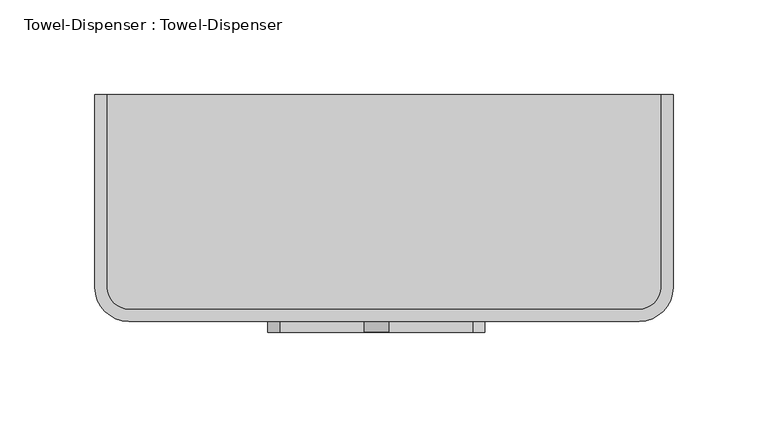
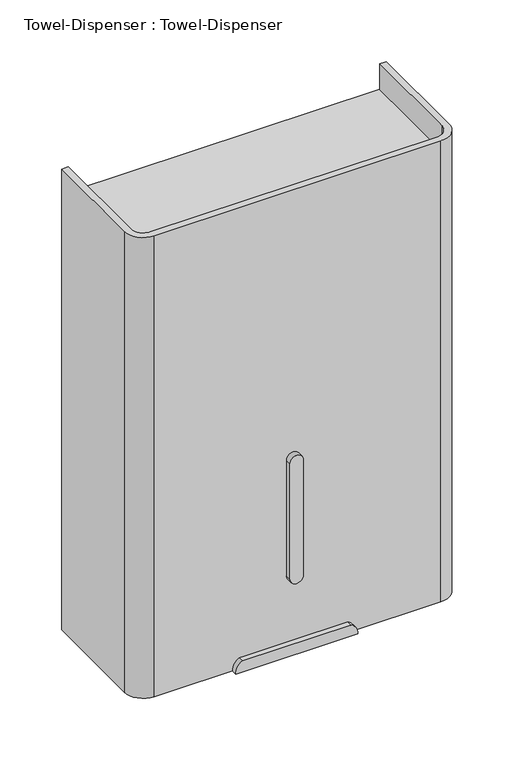
"""IFC4 building model written with IfcOpenShell, lengths in millimetres: proxy geometry, Towel-Dispenser : Towel-Dispenser."""

from ifc_helpers import new_model, si_unit, point, frame, frame_2d, origin, place, context, project, spatial, polyline, circle_curve, trimmed, segment, composite_curve, outline, extrude, source, transform, mapped, element, save


def towel_dispenser_towel_dispenser_455fb2f7(model_context):
    return source(origin(), model_context, "Body", "SweptSolid", [
        extrude(outline(composite_curve([segment(polyline([(1257.5343137, -1.1872838), (1143.2343137, -1.1872838)]), True, "CONTINUOUS"), segment(trimmed(circle_curve(frame_2d((1143.2343137, 5.1627162)), 6.35), [point((1143.2343137, -1.1872838))], [point((1143.2343137, 11.5127162))], False, "CARTESIAN"), True, "CONTINUOUS"), segment(polyline([(1143.2343137, 11.5127162), (1257.5343137, 11.5127162)]), True, "CONTINUOUS"), segment(trimmed(circle_curve(frame_2d((1257.5343137, 5.1627162)), 6.35), [point((1257.5343137, 11.5127162))], [point((1257.5343137, -1.1872838))], False, "CARTESIAN"), True, "CONTINUOUS")], self_intersect=False)), frame((0.0, -187.0963453, 0.0), z_axis=(0.0, 1.0, 0.0), x_axis=(0.0, 0.0, 1.0)), (0.0, 0.0, 1.0), 15.6736366),
        extrude(outline(composite_curve([segment(polyline([(-143.2633901, -163.5125), (-143.2633901, -61.9125), (-136.9133901, -61.9125), (-136.9133901, -163.5125)]), True, "CONTINUOUS"), segment(trimmed(circle_curve(frame_2d((-125.3028779, -163.5125)), 11.6105122), [point((-136.9133901, -163.5125))], [point((-125.3028779, -175.1230122))], True, "CARTESIAN"), True, "CONTINUOUS"), segment(polyline([(-125.3028779, -175.1230122), (143.5760976, -175.1230122)]), True, "CONTINUOUS"), segment(trimmed(circle_curve(frame_2d((143.5760976, -163.5125)), 11.6105122), [point((143.5760976, -175.1230122))], [point((155.1866099, -163.5125))], True, "CARTESIAN"), True, "CONTINUOUS"), segment(polyline([(155.1866099, -163.5125), (155.1866099, -61.9125), (161.5366099, -61.9125), (161.5366099, -163.5125)]), True, "CONTINUOUS"), segment(trimmed(circle_curve(frame_2d((143.5760976, -163.5125)), 17.9605122), [point((161.5366099, -163.5125))], [point((143.5760976, -181.4730122))], False, "CARTESIAN"), True, "CONTINUOUS"), segment(polyline([(143.5760976, -181.4730122), (-125.3028779, -181.4730122)]), True, "CONTINUOUS"), segment(trimmed(circle_curve(frame_2d((-125.3028779, -163.5125)), 17.9605122), [point((-125.3028779, -181.4730122))], [point((-143.2633901, -163.5125))], False, "CARTESIAN"), True, "CONTINUOUS")], self_intersect=False)), frame((0.0, 0.0, 1066.8), z_axis=(0.0, 0.0, 1.0), x_axis=(1.0, 0.0, 0.0)), (0.0, 0.0, 1.0), 457.2),
        extrude(outline(polyline([(155.1866099, -61.9125), (155.1866099, -150.8125), (-136.9133901, -150.8125), (-136.9133901, -61.9125), (155.1866099, -61.9125)])), frame((0.0, 0.0, 1066.8), z_axis=(0.0, 0.0, 1.0), x_axis=(1.0, 0.0, 0.0)), (0.0, 0.0, 1.0), 1.5875),
        extrude(outline(composite_curve([segment(polyline([(1077.7985226, 55.9627162), (1077.7985226, -45.6372838)]), True, "CONTINUOUS"), segment(trimmed(circle_curve(frame_2d((1067.949722, -41.2786607)), 10.7701657), [point((1077.7985226, -45.6372838))], [point((1066.8, -51.9872838))], False, "CARTESIAN"), True, "CONTINUOUS"), segment(polyline([(1066.8, -51.9872838), (1066.8, 62.3127162)]), True, "CONTINUOUS"), segment(trimmed(circle_curve(frame_2d((1067.949722, 51.6040931)), 10.7701657), [point((1066.8, 62.3127162))], [point((1077.7985226, 55.9627162))], False, "CARTESIAN"), True, "CONTINUOUS")], self_intersect=False)), frame((0.0, -187.0963453, 0.0), z_axis=(0.0, 1.0, 0.0), x_axis=(0.0, 0.0, 1.0)), (0.0, 0.0, 1.0), 11.9733331),
        extrude(outline(composite_curve([segment(polyline([(155.1866099, -61.9125), (155.1866099, -163.5125)]), True, "CONTINUOUS"), segment(trimmed(circle_curve(frame_2d((143.5760976, -163.5125)), 11.6105122), [point((155.1866099, -163.5125))], [point((143.5760976, -175.1230122))], False, "CARTESIAN"), True, "CONTINUOUS"), segment(polyline([(143.5760976, -175.1230122), (-125.3028779, -175.1230122)]), True, "CONTINUOUS"), segment(trimmed(circle_curve(frame_2d((-125.3028779, -163.5125)), 11.6105122), [point((-125.3028779, -175.1230122))], [point((-136.9133901, -163.5125))], False, "CARTESIAN"), True, "CONTINUOUS"), segment(polyline([(-136.9133901, -163.5125), (-136.9133901, -61.9125), (155.1866099, -61.9125)]), True, "CONTINUOUS")], self_intersect=False)), frame((0.0, 0.0, 1497.0125), z_axis=(0.0, 0.0, 1.0), x_axis=(1.0, 0.0, 0.0)), (0.0, 0.0, 1.0), 1.5875),
    ])


if __name__ == "__main__":
    model = new_model("IFC4")
    model_context = context("Model", 3, world=origin())
    ifc_project = project(units=[si_unit("LENGTHUNIT", "METRE", prefix="MILLI")], contexts=[model_context])
    site = spatial("IfcSite", under=ifc_project)
    building = spatial("IfcBuilding", under=site)
    placement = place(None, origin())
    towel_dispenser_towel_dispenser_shape = towel_dispenser_towel_dispenser_455fb2f7(model_context)
    element("IfcBuildingElementProxy", 1, Name="Towel-Dispenser : Towel-Dispenser", ObjectType="Towel-Dispenser : Towel-Dispenser", at=placement, inside=building, context=model_context, shape_type="MappedRepresentation", body=[
        mapped(towel_dispenser_towel_dispenser_shape, transform((0.0, 0.0, 0.0), x_axis=(1.0, 0.0, 0.0), y_axis=(0.0, 1.0, 0.0), z_axis=(0.0, 0.0, 1.0))),
    ])
    save(model, "model.ifc")
